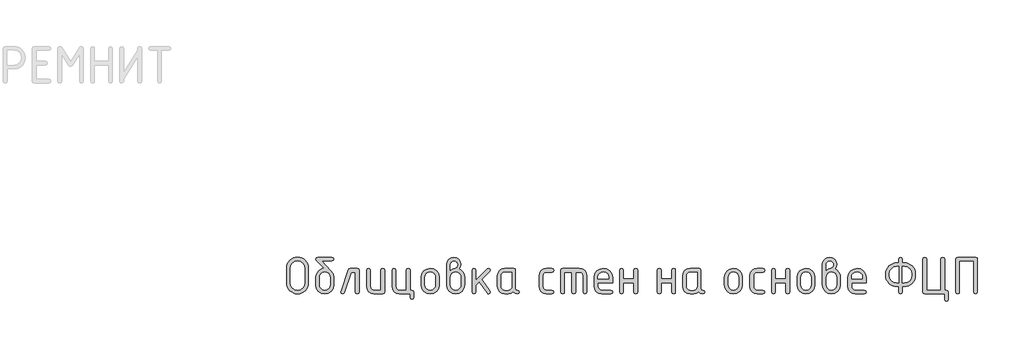
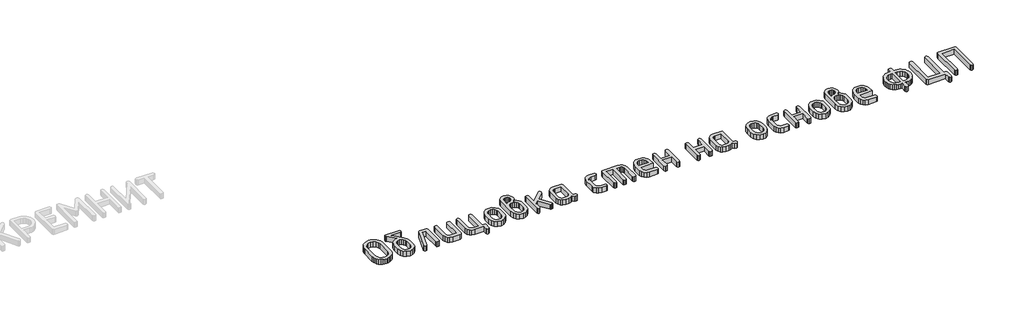
# One storey, part 17 of 33: 1 proxy.
"""IFC4 building model written with IfcOpenShell, lengths in millimetres."""

from ifc_helpers import new_model, si_unit, origin, origin_with_axes, place, context, project, spatial, polyline, outline, extrude, element, save

model = new_model("IFC4")

# Units and contexts
model_context = context("Model", 3, world=origin())
ifc_project = project(units=[si_unit("LENGTHUNIT", "METRE", prefix="MILLI")], contexts=[model_context])

# Site, building, storey
site = spatial("IfcSite", under=ifc_project)
building = spatial("IfcBuilding", under=site)
storey = spatial("IfcBuildingStorey", under=building, Elevation=0.0)

# Proxy
placement = place(None, origin())
element("IfcBuildingElementProxy", 1, Name="Generic Models", at=placement, inside=storey, context=model_context, shape_type="SweptSolid", body=[
    extrude(outline(polyline([(41916.5624261, -12574.4677826), (41914.9080302, -12592.7014441), (41909.9448427, -12609.5530798), (41901.6728635, -12625.0226897), (41890.0920926, -12639.1102738), (41876.1709568, -12650.8322736), (41860.8778831, -12659.2051306), (41844.2128713, -12664.2288448), (41826.1759215, -12665.9034162), (41808.1389717, -12664.2288448), (41791.47396, -12659.2051306), (41776.1808862, -12650.8322736), (41762.2597505, -12639.1102738), (41750.6789796, -12625.0226897), (41742.4070004, -12609.5530798), (41737.4438128, -12592.7014441), (41735.789417, -12574.4677826), (41735.789417, -12452.607406), (41737.4438128, -12434.3737445), (41742.4070004, -12417.5221088), (41750.6789796, -12402.0524989), (41762.2597505, -12387.9649148), (41776.1808862, -12376.242915), (41791.47396, -12367.870058), (41808.1389717, -12362.8463438), (41826.1759215, -12361.1717724), (41844.3112272, -12362.8387779), (41861.0291998, -12367.8397946), (41876.3298394, -12376.1748225), (41890.2131459, -12387.8438614), (41901.740956, -12401.8936164), (41909.975106, -12417.3707921), (41914.9155961, -12434.2753886), (41916.5624261, -12452.607406), (41916.5624261, -12574.4677826)]), holes=[polyline([(41885.5727674, -12574.2256759), (41885.5727674, -12452.8495127), (41881.2652855, -12429.3248108), (41868.3428399, -12409.7545186), (41849.1861466, -12396.5597029), (41826.1759215, -12392.1614311), (41803.1656964, -12396.5597029), (41784.0090031, -12409.7545186), (41771.0865575, -12429.3248108), (41766.7790757, -12452.8495127), (41766.7790757, -12574.2256759), (41771.0865575, -12597.7503778), (41784.0090031, -12617.3206701), (41803.1656964, -12630.5154857), (41826.1759215, -12634.9137575), (41849.1861466, -12630.5154857), (41868.3428399, -12617.3206701), (41881.2652855, -12597.7503778), (41885.5727674, -12574.2256759)])]), origin_with_axes(), (0.0, 0.0, 1.0), 50.0),
    extrude(outline(polyline([(42128.3250938, -12529.0324237), (42128.3250938, -12589.8819097), (42122.8474296, -12619.106207), (42106.4144367, -12643.6699502), (42082.2138536, -12660.3450497), (42053.4334187, -12665.9034162), (42024.6529837, -12660.3349619), (42000.4524006, -12643.6295991), (41984.0194077, -12619.015417), (41978.5417435, -12589.7205053), (41978.5417435, -12528.7903169), (41981.1343028, -12507.3588293), (41988.9119808, -12488.9839389), (42001.8747775, -12473.6656457), (42020.0226929, -12461.4039497), (42035.7394534, -12454.8065419), (42050.2860314, -12452.607406), (41983.7066866, -12385.6245499), (41978.5417435, -12376.6666017), (41982.2742219, -12365.0454797), (41993.4716572, -12361.1717724), (42113.3951801, -12361.1717724), (42124.5926154, -12365.0454797), (42128.3250938, -12376.6666017), (42124.5926154, -12388.2877237), (42113.3951801, -12392.1614311), (42028.4157254, -12392.1614311), (42103.791614, -12472.5408583), (42122.1917239, -12499.8182142), (42128.3250938, -12529.0324237)]), holes=[polyline([(42097.3354351, -12589.3976963), (42097.3354351, -12528.7903169), (42094.1174335, -12511.3586339), (42084.4634285, -12496.6708269), (42070.2699227, -12486.6839252), (42053.4334187, -12483.354958), (42036.5969146, -12486.6839252), (42022.4034088, -12496.6708269), (42012.7494038, -12511.3586339), (42009.5314022, -12528.7903169), (42009.5314022, -12589.3976963), (42012.7191405, -12606.9907838), (42022.2823555, -12621.6785908), (42036.4455979, -12631.6049659), (42053.4334187, -12634.9137575), (42070.2699227, -12631.5847903), (42084.4634285, -12621.5978886), (42094.1174335, -12606.889906), (42097.3354351, -12589.3976963)])]), origin_with_axes(), (0.0, 0.0, 1.0), 50.0),
    extrude(outline(polyline([(42263.6627439, -12454.1407485), (42324.5929323, -12454.1407485), (42336.2140543, -12457.913578), (42340.0877616, -12469.2320666), (42340.0877616, -12650.8120981), (42336.2140543, -12662.1305867), (42324.5929323, -12665.9034162), (42312.9718103, -12662.1305867), (42309.0981029, -12650.8120981), (42309.0981029, -12485.1304072), (42274.4768436, -12485.1304072), (42217.3396604, -12655.6542322), (42212.0334883, -12663.3411202), (42203.0553646, -12665.9034162), (42191.6763493, -12662.07006), (42187.8833442, -12650.5699914), (42188.6096643, -12645.9699639), (42248.4907235, -12466.4881906), (42254.3819868, -12457.227609), (42263.6627439, -12454.1407485)])), origin_with_axes(), (0.0, 0.0, 1.0), 50.0),
    extrude(outline(polyline([(42551.8504294, -12469.2320666), (42551.8504294, -12650.8120981), (42548.0977754, -12662.1305867), (42536.8398135, -12665.9034162), (42461.9481383, -12665.9034162), (42438.7260698, -12661.5253199), (42419.4180598, -12648.391031), (42406.4048242, -12628.8812654), (42402.067079, -12605.3767391), (42402.067079, -12469.2320666), (42405.9407864, -12457.913578), (42417.5619084, -12454.1407485), (42429.1830304, -12457.913578), (42433.0567377, -12469.2320666), (42433.0567377, -12604.8118234), (42435.2155225, -12616.2412776), (42441.691877, -12625.9961604), (42451.1743897, -12632.6843583), (42462.3516495, -12634.9137575), (42520.8607707, -12634.9137575), (42520.8607707, -12469.2320666), (42524.734478, -12457.913578), (42536.3556, -12454.1407485), (42547.9767221, -12457.913578), (42551.8504294, -12469.2320666)])), origin_with_axes(), (0.0, 0.0, 1.0), 50.0),
    extrude(outline(polyline([(42779.1079265, -12634.9137575), (42790.7290485, -12638.7874649), (42794.6027559, -12650.4085869), (42794.6027559, -12696.8930749), (42790.7290485, -12708.514197), (42779.1079265, -12712.3879043), (42767.4868045, -12708.514197), (42763.6130972, -12696.8930749), (42763.6130972, -12665.9034162), (42673.710806, -12665.9034162), (42650.4887376, -12661.4950566), (42631.1807276, -12648.2699776), (42618.167492, -12628.7299487), (42613.8297468, -12605.3767391), (42613.8297468, -12469.2320666), (42617.7034541, -12457.913578), (42629.3245761, -12454.1407485), (42640.9456982, -12457.913578), (42644.8194055, -12469.2320666), (42644.8194055, -12604.8118234), (42646.9781903, -12616.2412776), (42653.4545448, -12625.9961604), (42662.9370575, -12632.6843583), (42674.1143172, -12634.9137575), (42732.6234385, -12634.9137575), (42732.6234385, -12469.2320666), (42736.4971458, -12457.913578), (42748.1182678, -12454.1407485), (42759.7393898, -12457.913578), (42763.6130972, -12469.2320666), (42763.6130972, -12634.9137575), (42779.1079265, -12634.9137575)])), origin_with_axes(), (0.0, 0.0, 1.0), 50.0),
    extrude(outline(polyline([(42856.5820733, -12590.2854209), (42856.5820733, -12529.7587438), (42862.0597375, -12500.6857632), (42878.4927304, -12476.2531612), (42902.6933135, -12459.6688516), (42931.4737485, -12454.1407485), (42960.5568168, -12459.608325), (42984.6968732, -12476.0110545), (43000.948286, -12500.3831298), (43006.3654236, -12529.7587438), (43006.3654236, -12590.2854209), (43000.8877594, -12619.3584015), (42984.4547665, -12643.7910035), (42960.2541834, -12660.3753131), (42931.4737485, -12665.9034162), (42902.6933135, -12660.3753131), (42878.4927304, -12643.7910035), (42862.0597375, -12619.3584015), (42856.5820733, -12590.2854209)]), holes=[polyline([(42975.3757649, -12589.3976963), (42975.3757649, -12528.7903169), (42972.1577633, -12511.3586339), (42962.5037583, -12496.6708269), (42948.3102525, -12486.6839252), (42931.4737485, -12483.354958), (42914.6372444, -12486.6839252), (42900.4437386, -12496.6708269), (42890.7897336, -12511.3586339), (42887.571732, -12528.7903169), (42887.571732, -12589.3976963), (42890.7594703, -12606.9907838), (42900.3226853, -12621.6785908), (42914.4859277, -12631.6049659), (42931.4737485, -12634.9137575), (42948.3102525, -12631.5847903), (42962.5037583, -12621.5978886), (42972.1577633, -12606.889906), (42975.3757649, -12589.3976963)])]), origin_with_axes(), (0.0, 0.0, 1.0), 50.0),
    extrude(outline(polyline([(43173.1769459, -12458.8214782), (43191.7081968, -12470.2105812), (43205.9824049, -12486.784803), (43215.0916698, -12506.869572), (43218.1280914, -12528.7903169), (43218.1280914, -12589.7205053), (43212.6504271, -12619.1667337), (43196.2174343, -12643.7506524), (43172.0168512, -12660.3652253), (43143.2364162, -12665.9034162), (43114.3046646, -12660.3349619), (43090.1343448, -12643.6295991), (43073.792142, -12619.015417), (43068.344741, -12589.7205053), (43068.344741, -12422.1019607), (43072.6723985, -12398.4965566), (43085.6553707, -12378.8455621), (43104.8322396, -12365.5902198), (43127.7415869, -12361.1717724), (43150.751812, -12365.6204831), (43169.9085053, -12378.9666154), (43182.8309509, -12398.6478733), (43187.1384327, -12422.1019607), (43183.648061, -12442.8222598), (43173.1769459, -12458.8214782)]), holes=[polyline([(43187.1384327, -12589.3976963), (43187.1384327, -12528.7903169), (43183.9506944, -12511.3586339), (43174.3874794, -12496.6708269), (43160.224237, -12486.6839252), (43143.2364162, -12483.354958), (43126.2485955, -12486.6839252), (43112.0853531, -12496.6708269), (43102.5221381, -12511.3586339), (43099.3343997, -12528.7903169), (43099.3343997, -12589.3976963), (43102.5221381, -12606.9907838), (43112.0853531, -12621.6785908), (43126.2485955, -12631.6049659), (43143.2364162, -12634.9137575), (43160.224237, -12631.5847903), (43174.3874794, -12621.5978886), (43183.9506944, -12606.889906), (43187.1384327, -12589.3976963)]), polyline([(43099.3343997, -12468.9092577), (43117.8152118, -12457.5907691), (43134.6819792, -12453.8179395), (43143.7609808, -12451.1749413), (43152.1136622, -12443.2459466), (43157.9847499, -12433.3800982), (43159.9417791, -12423.4738987), (43157.7628187, -12411.6711967), (43151.2259376, -12401.9264016), (43141.460967, -12395.3895205), (43129.5977383, -12393.2105601), (43117.946353, -12395.4197839), (43108.1712946, -12402.047455), (43101.5436235, -12411.8225134), (43099.3343997, -12423.4738987), (43099.3343997, -12468.9092577)])]), origin_with_axes(), (0.0, 0.0, 1.0), 50.0),
    extrude(outline(polyline([(43311.0970675, -12553.5659035), (43406.3257062, -12458.4986692), (43417.1398059, -12454.1407485), (43428.5188212, -12457.913578), (43432.3118263, -12469.2320666), (43427.7117988, -12479.8040596), (43361.132454, -12546.3027022), (43429.3258435, -12642.0962566), (43432.3118263, -12650.9735025), (43428.5188212, -12662.1709378), (43417.1398059, -12665.9034162), (43409.997658, -12664.2893715), (43404.550257, -12659.4472373), (43339.3428502, -12567.8501993), (43311.0970675, -12596.0959819), (43311.0970675, -12650.7313958), (43307.2233602, -12662.1104111), (43295.6022382, -12665.9034162), (43283.9811162, -12662.1305867), (43280.1074088, -12650.8120981), (43280.1074088, -12469.2320666), (43283.9811162, -12457.913578), (43295.6022382, -12454.1407485), (43307.2233602, -12457.913578), (43311.0970675, -12469.2320666), (43311.0970675, -12553.5659035)])), origin_with_axes(), (0.0, 0.0, 1.0), 50.0),
    extrude(outline(polyline([(43671.9167655, -12650.8120981), (43668.143936, -12662.1305867), (43656.8254474, -12665.9034162), (43637.6788418, -12661.88848), (43622.3655925, -12649.8436712), (43603.9453071, -12661.88848), (43581.7723677, -12665.9034162), (43551.7511359, -12665.9034162), (43528.5290674, -12661.5253199), (43509.2210574, -12648.391031), (43496.2078218, -12628.8812654), (43491.8700766, -12605.3767391), (43491.8700766, -12514.6674256), (43496.2078218, -12491.1628993), (43509.2210574, -12471.6531337), (43528.5290674, -12458.5188448), (43551.7511359, -12454.1407485), (43626.642811, -12454.1407485), (43637.900773, -12457.913578), (43641.653427, -12469.2320666), (43641.653427, -12620.5487595), (43645.4363443, -12631.8672481), (43656.7850963, -12635.6400777), (43668.1338482, -12639.4330828), (43671.9167655, -12650.8120981)]), holes=[polyline([(43610.6637683, -12485.1304072), (43552.154647, -12485.1304072), (43540.8765095, -12487.3194553), (43531.4141723, -12493.8865998), (43524.9983446, -12503.5607804), (43522.8597353, -12515.0709368), (43522.8597353, -12604.9732279), (43525.0185201, -12616.3825066), (43531.4948746, -12626.0768627), (43540.9773873, -12632.7045338), (43552.154647, -12634.9137575), (43581.3688565, -12634.9137575), (43592.646994, -12632.7247094), (43602.1093312, -12626.1575649), (43608.525159, -12616.4833844), (43610.6637683, -12604.9732279), (43610.6637683, -12485.1304072)])]), origin_with_axes(), (0.0, 0.0, 1.0), 50.0),
    extrude(outline(polyline([(43868.9109241, -12515.0709368), (43868.9109241, -12604.9732279), (43871.1504112, -12616.3825066), (43877.8688723, -12626.0768627), (43887.674194, -12632.7045338), (43899.1742627, -12634.9137575), (43944.6903239, -12634.9137575), (43956.0088125, -12638.7874649), (43959.7816421, -12650.4085869), (43956.0088125, -12662.0297089), (43944.6903239, -12665.9034162), (43899.1742627, -12665.9034162), (43875.6293853, -12661.5253199), (43855.8371618, -12648.391031), (43842.4002395, -12628.8812654), (43837.9212654, -12605.3767391), (43837.9212654, -12514.6674256), (43842.4002395, -12491.1628993), (43855.8371618, -12471.6531337), (43875.6293853, -12458.5188448), (43899.1742627, -12454.1407485), (43944.6903239, -12454.1407485), (43956.0088125, -12458.0144558), (43959.7816421, -12469.6355778), (43956.0088125, -12481.2566998), (43944.6903239, -12485.1304072), (43899.1742627, -12485.1304072), (43887.5228773, -12487.3194553), (43877.747819, -12493.8865998), (43871.1201478, -12503.5607804), (43868.9109241, -12515.0709368)])), origin_with_axes(), (0.0, 0.0, 1.0), 50.0),
    extrude(outline(polyline([(44034.1891038, -12454.1407485), (44173.642568, -12454.1407485), (44197.5304299, -12458.5491081), (44217.5445845, -12471.7741871), (44231.1025601, -12491.314216), (44235.6218854, -12514.6674256), (44235.6218854, -12650.8120981), (44231.748178, -12662.1305867), (44220.127056, -12665.9034162), (44208.505934, -12662.1305867), (44204.6322267, -12650.8120981), (44204.6322267, -12515.2323413), (44202.4028274, -12503.5002537), (44195.7146296, -12493.8058976), (44185.7378156, -12487.2992798), (44173.642568, -12485.1304072), (44142.6529093, -12485.1304072), (44142.6529093, -12650.8120981), (44138.7792019, -12662.1305867), (44127.1580799, -12665.9034162), (44115.5369579, -12662.1305867), (44111.6632506, -12650.8120981), (44111.6632506, -12485.1304072), (44049.6839332, -12485.1304072), (44049.6839332, -12650.8120981), (44045.8102258, -12662.1305867), (44034.1891038, -12665.9034162), (44022.5679818, -12662.1305867), (44018.6942745, -12650.8120981), (44018.6942745, -12469.2320666), (44022.5679818, -12457.913578), (44034.1891038, -12454.1407485)])), origin_with_axes(), (0.0, 0.0, 1.0), 50.0),
    extrude(outline(polyline([(44328.5908615, -12572.9344401), (44328.5908615, -12603.9240988), (44330.8303485, -12615.7167131), (44337.5488097, -12625.7540537), (44347.3541314, -12632.6238316), (44358.8542, -12634.9137575), (44434.6335998, -12634.9137575), (44446.0126151, -12638.7874649), (44449.8056202, -12650.4085869), (44446.0126151, -12662.0297089), (44434.6335998, -12665.9034162), (44358.8542, -12665.9034162), (44335.3093226, -12661.5253199), (44315.5170992, -12648.391031), (44302.0801769, -12628.8812654), (44297.6012028, -12605.3767391), (44297.6012028, -12529.7587438), (44303.220096, -12500.6857632), (44320.0767756, -12476.2531612), (44344.8019232, -12459.6688516), (44374.0262204, -12454.1407485), (44403.4724489, -12459.5074472), (44427.8949631, -12475.6075433), (44444.327956, -12499.5357563), (44449.8056202, -12528.3868058), (44449.8056202, -12572.9344401), (44328.5908615, -12572.9344401)]), holes=[polyline([(44374.0262204, -12481.3374021), (44356.5945374, -12484.6663693), (44341.9067304, -12494.653271), (44331.9198287, -12509.341078), (44328.5908615, -12526.772761), (44328.5908615, -12541.9447814), (44419.4615794, -12541.9447814), (44419.4615794, -12526.772761), (44416.1326122, -12509.341078), (44406.1457105, -12494.653271), (44391.4579035, -12484.6663693), (44374.0262204, -12481.3374021)])]), origin_with_axes(), (0.0, 0.0, 1.0), 50.0),
    extrude(outline(polyline([(44540.3535292, -12572.9344401), (44540.3535292, -12650.4085869), (44536.4798219, -12662.0297089), (44524.8586999, -12665.9034162), (44513.2375779, -12662.1305867), (44509.3638705, -12650.8120981), (44509.3638705, -12469.2320666), (44513.2375779, -12457.913578), (44524.8586999, -12454.1407485), (44536.4798219, -12457.7925247), (44540.3535292, -12468.7478532), (44540.3535292, -12541.9447814), (44628.1575622, -12541.9447814), (44628.1575622, -12468.7478532), (44632.0312696, -12457.7925247), (44643.6523916, -12454.1407485), (44655.2735136, -12457.913578), (44659.1472209, -12469.2320666), (44659.1472209, -12650.8120981), (44655.2735136, -12662.1305867), (44643.6523916, -12665.9034162), (44632.0312696, -12662.0297089), (44628.1575622, -12650.4085869), (44628.1575622, -12572.9344401), (44540.3535292, -12572.9344401)])), origin_with_axes(), (0.0, 0.0, 1.0), 50.0),
    extrude(outline(polyline([(44855.4150594, -12572.9344401), (44855.4150594, -12650.4085869), (44851.541352, -12662.0297089), (44839.92023, -12665.9034162), (44828.299108, -12662.1305867), (44824.4254007, -12650.8120981), (44824.4254007, -12469.2320666), (44828.299108, -12457.913578), (44839.92023, -12454.1407485), (44851.541352, -12457.7925247), (44855.4150594, -12468.7478532), (44855.4150594, -12541.9447814), (44943.2190923, -12541.9447814), (44943.2190923, -12468.7478532), (44947.0927997, -12457.7925247), (44958.7139217, -12454.1407485), (44970.3350437, -12457.913578), (44974.208751, -12469.2320666), (44974.208751, -12650.8120981), (44970.3350437, -12662.1305867), (44958.7139217, -12665.9034162), (44947.0927997, -12662.0297089), (44943.2190923, -12650.4085869), (44943.2190923, -12572.9344401), (44855.4150594, -12572.9344401)])), origin_with_axes(), (0.0, 0.0, 1.0), 50.0),
    extrude(outline(polyline([(45216.2347574, -12650.8120981), (45212.4619278, -12662.1305867), (45201.1434392, -12665.9034162), (45181.9968337, -12661.88848), (45166.6835844, -12649.8436712), (45148.2632989, -12661.88848), (45126.0903596, -12665.9034162), (45096.0691277, -12665.9034162), (45072.8470592, -12661.5253199), (45053.5390492, -12648.391031), (45040.5258136, -12628.8812654), (45036.1880684, -12605.3767391), (45036.1880684, -12514.6674256), (45040.5258136, -12491.1628993), (45053.5390492, -12471.6531337), (45072.8470592, -12458.5188448), (45096.0691277, -12454.1407485), (45170.9608029, -12454.1407485), (45182.2187648, -12457.913578), (45185.9714188, -12469.2320666), (45185.9714188, -12620.5487595), (45189.7543361, -12631.8672481), (45201.1030881, -12635.6400777), (45212.4518401, -12639.4330828), (45216.2347574, -12650.8120981)]), holes=[polyline([(45154.9817601, -12485.1304072), (45096.4726389, -12485.1304072), (45085.1945014, -12487.3194553), (45075.7321642, -12493.8865998), (45069.3163364, -12503.5607804), (45067.1777271, -12515.0709368), (45067.1777271, -12604.9732279), (45069.3365119, -12616.3825066), (45075.8128664, -12626.0768627), (45085.2953792, -12632.7045338), (45096.4726389, -12634.9137575), (45125.6868484, -12634.9137575), (45136.9649859, -12632.7247094), (45146.4273231, -12626.1575649), (45152.8431508, -12616.4833844), (45154.9817601, -12604.9732279), (45154.9817601, -12485.1304072)])]), origin_with_axes(), (0.0, 0.0, 1.0), 50.0),
    extrude(outline(polyline([(45382.2392572, -12590.2854209), (45382.2392572, -12529.7587438), (45387.7169215, -12500.6857632), (45404.1499144, -12476.2531612), (45428.3504974, -12459.6688516), (45457.1309324, -12454.1407485), (45486.2140008, -12459.608325), (45510.3540572, -12476.0110545), (45526.60547, -12500.3831298), (45532.0226076, -12529.7587438), (45532.0226076, -12590.2854209), (45526.5449433, -12619.3584015), (45510.1119505, -12643.7910035), (45485.9113674, -12660.3753131), (45457.1309324, -12665.9034162), (45428.3504974, -12660.3753131), (45404.1499144, -12643.7910035), (45387.7169215, -12619.3584015), (45382.2392572, -12590.2854209)]), holes=[polyline([(45501.0329489, -12589.3976963), (45501.0329489, -12528.7903169), (45497.8149472, -12511.3586339), (45488.1609422, -12496.6708269), (45473.9674365, -12486.6839252), (45457.1309324, -12483.354958), (45440.2944284, -12486.6839252), (45426.1009226, -12496.6708269), (45416.4469176, -12511.3586339), (45413.2289159, -12528.7903169), (45413.2289159, -12589.3976963), (45416.4166543, -12606.9907838), (45425.9798693, -12621.6785908), (45440.1431117, -12631.6049659), (45457.1309324, -12634.9137575), (45473.9674365, -12631.5847903), (45488.1609422, -12621.5978886), (45497.8149472, -12606.889906), (45501.0329489, -12589.3976963)])]), origin_with_axes(), (0.0, 0.0, 1.0), 50.0),
    extrude(outline(polyline([(45624.9915837, -12515.0709368), (45624.9915837, -12604.9732279), (45627.2310708, -12616.3825066), (45633.9495319, -12626.0768627), (45643.7548536, -12632.7045338), (45655.2549223, -12634.9137575), (45700.7709835, -12634.9137575), (45712.0894721, -12638.7874649), (45715.8623017, -12650.4085869), (45712.0894721, -12662.0297089), (45700.7709835, -12665.9034162), (45655.2549223, -12665.9034162), (45631.7100449, -12661.5253199), (45611.9178214, -12648.391031), (45598.4808991, -12628.8812654), (45594.001925, -12605.3767391), (45594.001925, -12514.6674256), (45598.4808991, -12491.1628993), (45611.9178214, -12471.6531337), (45631.7100449, -12458.5188448), (45655.2549223, -12454.1407485), (45700.7709835, -12454.1407485), (45712.0894721, -12458.0144558), (45715.8623017, -12469.6355778), (45712.0894721, -12481.2566998), (45700.7709835, -12485.1304072), (45655.2549223, -12485.1304072), (45643.6035369, -12487.3194553), (45633.8284786, -12493.8865998), (45627.2008074, -12503.5607804), (45624.9915837, -12515.0709368)])), origin_with_axes(), (0.0, 0.0, 1.0), 50.0),
    extrude(outline(polyline([(45805.7645928, -12572.9344401), (45805.7645928, -12650.4085869), (45801.8908855, -12662.0297089), (45790.2697634, -12665.9034162), (45778.6486414, -12662.1305867), (45774.7749341, -12650.8120981), (45774.7749341, -12469.2320666), (45778.6486414, -12457.913578), (45790.2697634, -12454.1407485), (45801.8908855, -12457.7925247), (45805.7645928, -12468.7478532), (45805.7645928, -12541.9447814), (45893.5686258, -12541.9447814), (45893.5686258, -12468.7478532), (45897.4423331, -12457.7925247), (45909.0634551, -12454.1407485), (45920.6845771, -12457.913578), (45924.5582845, -12469.2320666), (45924.5582845, -12650.8120981), (45920.6845771, -12662.1305867), (45909.0634551, -12665.9034162), (45897.4423331, -12662.0297089), (45893.5686258, -12650.4085869), (45893.5686258, -12572.9344401), (45805.7645928, -12572.9344401)])), origin_with_axes(), (0.0, 0.0, 1.0), 50.0),
    extrude(outline(polyline([(45986.5376019, -12590.2854209), (45986.5376019, -12529.7587438), (45992.0152661, -12500.6857632), (46008.448259, -12476.2531612), (46032.6488421, -12459.6688516), (46061.4292771, -12454.1407485), (46090.5123454, -12459.608325), (46114.6524018, -12476.0110545), (46130.9038146, -12500.3831298), (46136.3209522, -12529.7587438), (46136.3209522, -12590.2854209), (46130.843288, -12619.3584015), (46114.4102951, -12643.7910035), (46090.209712, -12660.3753131), (46061.4292771, -12665.9034162), (46032.6488421, -12660.3753131), (46008.448259, -12643.7910035), (45992.0152661, -12619.3584015), (45986.5376019, -12590.2854209)]), holes=[polyline([(46105.3312935, -12589.3976963), (46105.3312935, -12528.7903169), (46102.1132919, -12511.3586339), (46092.4592869, -12496.6708269), (46078.2657811, -12486.6839252), (46061.4292771, -12483.354958), (46044.592773, -12486.6839252), (46030.3992672, -12496.6708269), (46020.7452622, -12511.3586339), (46017.5272606, -12528.7903169), (46017.5272606, -12589.3976963), (46020.7149989, -12606.9907838), (46030.2782139, -12621.6785908), (46044.4414563, -12631.6049659), (46061.4292771, -12634.9137575), (46078.2657811, -12631.5847903), (46092.4592869, -12621.5978886), (46102.1132919, -12606.889906), (46105.3312935, -12589.3976963)])]), origin_with_axes(), (0.0, 0.0, 1.0), 50.0),
    extrude(outline(polyline([(46303.1324745, -12458.8214782), (46321.6637254, -12470.2105812), (46335.9379335, -12486.784803), (46345.0471984, -12506.869572), (46348.08362, -12528.7903169), (46348.08362, -12589.7205053), (46342.6059557, -12619.1667337), (46326.1729629, -12643.7506524), (46301.9723798, -12660.3652253), (46273.1919448, -12665.9034162), (46244.2601932, -12660.3349619), (46220.0898734, -12643.6295991), (46203.7476706, -12619.015417), (46198.3002696, -12589.7205053), (46198.3002696, -12422.1019607), (46202.6279271, -12398.4965566), (46215.6108993, -12378.8455621), (46234.7877682, -12365.5902198), (46257.6971155, -12361.1717724), (46280.7073406, -12365.6204831), (46299.8640339, -12378.9666154), (46312.7864795, -12398.6478733), (46317.0939613, -12422.1019607), (46313.6035896, -12442.8222598), (46303.1324745, -12458.8214782)]), holes=[polyline([(46229.2899283, -12468.9092577), (46247.7707404, -12457.5907691), (46264.6375078, -12453.8179395), (46273.7165094, -12451.1749413), (46282.0691908, -12443.2459466), (46287.9402785, -12433.3800982), (46289.8973077, -12423.4738987), (46287.7183473, -12411.6711967), (46281.1814662, -12401.9264016), (46271.4164956, -12395.3895205), (46259.5532669, -12393.2105601), (46247.9018816, -12395.4197839), (46238.1268232, -12402.047455), (46231.4991521, -12411.8225134), (46229.2899283, -12423.4738987), (46229.2899283, -12468.9092577)]), polyline([(46317.0939613, -12589.3976963), (46317.0939613, -12528.7903169), (46313.906223, -12511.3586339), (46304.343008, -12496.6708269), (46290.1797656, -12486.6839252), (46273.1919448, -12483.354958), (46256.2041241, -12486.6839252), (46242.0408817, -12496.6708269), (46232.4776667, -12511.3586339), (46229.2899283, -12528.7903169), (46229.2899283, -12589.3976963), (46232.4776667, -12606.9907838), (46242.0408817, -12621.6785908), (46256.2041241, -12631.6049659), (46273.1919448, -12634.9137575), (46290.1797656, -12631.5847903), (46304.343008, -12621.5978886), (46313.906223, -12606.889906), (46317.0939613, -12589.3976963)])]), origin_with_axes(), (0.0, 0.0, 1.0), 50.0),
    extrude(outline(polyline([(46441.0525961, -12572.9344401), (46441.0525961, -12603.9240988), (46443.2920832, -12615.7167131), (46450.0105443, -12625.7540537), (46459.815866, -12632.6238316), (46471.3159347, -12634.9137575), (46547.0953345, -12634.9137575), (46558.4743498, -12638.7874649), (46562.2673549, -12650.4085869), (46558.4743498, -12662.0297089), (46547.0953345, -12665.9034162), (46471.3159347, -12665.9034162), (46447.7710573, -12661.5253199), (46427.9788339, -12648.391031), (46414.5419115, -12628.8812654), (46410.0629374, -12605.3767391), (46410.0629374, -12529.7587438), (46415.6818306, -12500.6857632), (46432.5385102, -12476.2531612), (46457.2636578, -12459.6688516), (46486.4879551, -12454.1407485), (46515.9341835, -12459.5074472), (46540.3566978, -12475.6075433), (46556.7896906, -12499.5357563), (46562.2673549, -12528.3868058), (46562.2673549, -12572.9344401), (46441.0525961, -12572.9344401)]), holes=[polyline([(46486.4879551, -12481.3374021), (46469.0562721, -12484.6663693), (46454.3684651, -12494.653271), (46444.3815634, -12509.341078), (46441.0525961, -12526.772761), (46441.0525961, -12541.9447814), (46531.9233141, -12541.9447814), (46531.9233141, -12526.772761), (46528.5943468, -12509.341078), (46518.6074451, -12494.653271), (46503.9196381, -12484.6663693), (46486.4879551, -12481.3374021)])]), origin_with_axes(), (0.0, 0.0, 1.0), 50.0),
    extrude(outline(polyline([(46864.5779317, -12603.9240988), (46864.5779317, -12650.4085869), (46860.7042243, -12662.0297089), (46849.0831023, -12665.9034162), (46837.4619803, -12662.0297089), (46833.588273, -12650.4085869), (46833.588273, -12603.9240988), (46818.0934436, -12603.9240988), (46799.4512271, -12602.2596152), (46782.2616508, -12597.2661644), (46766.5247147, -12588.9437463), (46752.2404189, -12577.2923609), (46740.3771902, -12563.3106985), (46731.9034554, -12547.9974492), (46726.8192145, -12531.3526129), (46725.1244675, -12513.3761898), (46725.1244675, -12498.2041694), (46726.8343462, -12480.0638199), (46731.963982, -12463.3307156), (46740.5133752, -12448.0048566), (46752.4825256, -12434.0862428), (46766.8424797, -12422.5231255), (46782.5642841, -12414.263756), (46799.6479388, -12409.3081343), (46818.0934436, -12407.6562604), (46833.588273, -12407.6562604), (46833.588273, -12376.6666017), (46837.4619803, -12365.0454797), (46849.0831023, -12361.1717724), (46860.7042243, -12365.0454797), (46864.5779317, -12376.6666017), (46864.5779317, -12407.6562604), (46880.072761, -12407.6562604), (46898.7149776, -12409.3157001), (46915.9045539, -12414.2940193), (46931.6414899, -12422.591218), (46945.9257858, -12434.2072961), (46957.7890145, -12448.1637391), (46966.2627493, -12463.4820323), (46971.3469902, -12480.1621757), (46973.0417371, -12498.2041694), (46973.0417371, -12513.3761898), (46971.3318585, -12531.5165394), (46966.2022226, -12548.2496436), (46957.6528295, -12563.5755027), (46945.683679, -12577.4941165), (46931.3237249, -12589.0572338), (46915.6019205, -12597.3166033), (46898.5182659, -12602.2722249), (46880.072761, -12603.9240988), (46864.5779317, -12603.9240988)]), holes=[polyline([(46864.5779317, -12572.9344401), (46880.072761, -12572.9344401), (46904.1119396, -12568.5866072), (46924.0958309, -12555.5431082), (46937.5630165, -12536.2653616), (46942.0520784, -12513.2147854), (46942.0520784, -12498.3655739), (46937.5327532, -12475.2141199), (46923.9747775, -12455.9565488), (46903.9606229, -12442.9735765), (46880.072761, -12438.6459191), (46864.5779317, -12438.6459191), (46864.5779317, -12572.9344401)]), polyline([(46833.588273, -12572.9344401), (46833.588273, -12438.6459191), (46818.0934436, -12438.6459191), (46794.054265, -12442.9937521), (46774.0703738, -12456.037251), (46760.6031881, -12475.3149977), (46756.1141262, -12498.3655739), (46756.1141262, -12513.2147854), (46760.6334515, -12536.3662394), (46774.1914271, -12555.6238105), (46794.2055817, -12568.6067827), (46818.0934436, -12572.9344401), (46833.588273, -12572.9344401)])]), origin_with_axes(), (0.0, 0.0, 1.0), 50.0),
    extrude(outline(polyline([(47215.7940636, -12665.9034162), (47050.1123727, -12665.9034162), (47038.7938841, -12662.0902356), (47035.0210545, -12650.6506936), (47035.0210545, -12376.424495), (47038.8947619, -12364.984953), (47050.5158839, -12361.1717724), (47062.1370059, -12364.9647775), (47066.0107132, -12376.3437928), (47066.0107132, -12634.9137575), (47184.8044049, -12634.9137575), (47184.8044049, -12376.3437928), (47188.6781122, -12364.9647775), (47200.2992342, -12361.1717724), (47211.9203563, -12364.9647775), (47215.7940636, -12376.3437928), (47215.7940636, -12634.9137575), (47231.2888929, -12634.9137575), (47242.910015, -12638.7874649), (47246.7837223, -12650.4085869), (47246.7837223, -12712.3879043), (47242.910015, -12724.0090263), (47231.2888929, -12727.8827336), (47219.6677709, -12724.0090263), (47215.7940636, -12712.3879043), (47215.7940636, -12665.9034162)])), origin_with_axes(), (0.0, 0.0, 1.0), 50.0),
    extrude(outline(polyline([(47323.8543579, -12361.1717724), (47474.4447306, -12361.1717724), (47485.7632192, -12364.984953), (47489.5360488, -12376.424495), (47489.5360488, -12650.6506936), (47485.6623414, -12662.0902356), (47474.0412194, -12665.9034162), (47462.4200974, -12662.1104111), (47458.5463901, -12650.7313958), (47458.5463901, -12392.1614311), (47339.7526984, -12392.1614311), (47339.7526984, -12650.7313958), (47335.8789911, -12662.1104111), (47324.257869, -12665.9034162), (47312.636747, -12662.0902356), (47308.7630397, -12650.6506936), (47308.7630397, -12376.424495), (47312.5358692, -12364.984953), (47323.8543579, -12361.1717724)])), origin_with_axes(), (0.0, 0.0, 1.0), 50.0),
])

save(model, "model.ifc")
